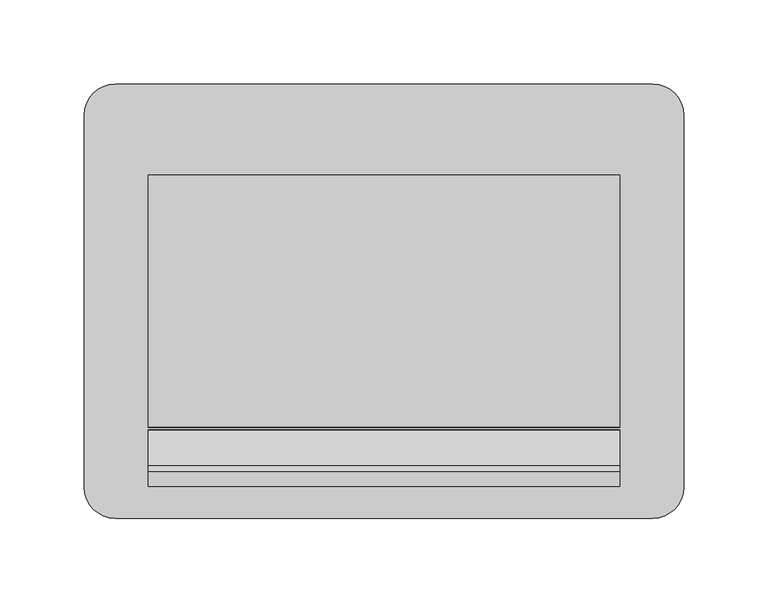
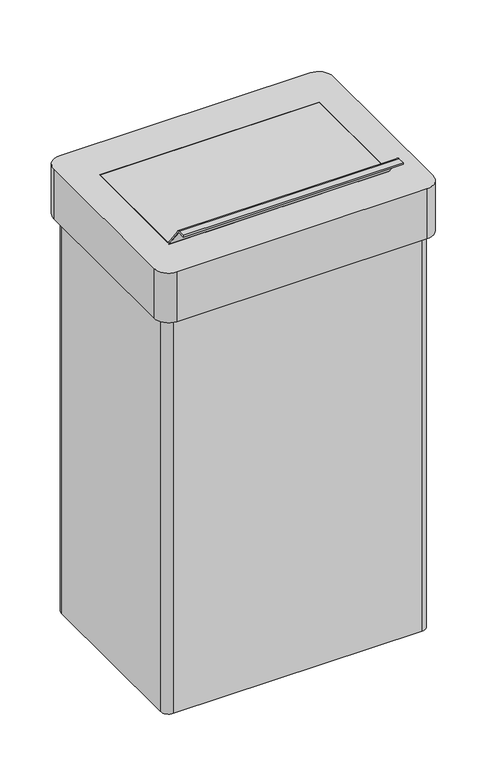
"""IFC4 building model written with IfcOpenShell, lengths in millimetres: furniture geometry."""

from ifc_helpers import new_model, si_unit, frame, origin, place, context, project, spatial, polyline, circle_curve, source, transform, mapped, element, save
from ifc_brep_helpers import plane_surface, cylinder_surface, revolved_surface, advanced_brep


def furniture_75e67a10(model_context):
    return source(origin(), model_context, "Body", "AdvancedBrep", [
        advanced_brep(
        [(159.5, 129.0, 601.2), (-159.5, 129.0, 601.2), (-178.0, 110.5, 601.2), (-178.0, -110.5, 601.2), (-159.5, -129.0, 601.2), (159.5, -129.0, 601.2), (178.0, -110.5, 601.2), (178.0, 110.5, 601.2), (140.0, 75.0, 601.2), (140.0, -75.0, 601.2), (-140.0, -75.0, 601.2), (-140.0, 75.0, 601.2), (159.5, 110.5, 593.2), (159.5, -110.5, 593.2), (-159.5, -110.5, 593.2), (-159.5, 110.5, 593.2), (140.0, 75.0, 593.2), (-140.0, 75.0, 593.2), (-140.0, -75.0, 593.2), (140.0, -75.0, 593.2), (159.5, 129.0, 534.2), (178.0, 110.5, 534.2), (178.0, -110.5, 534.2), (159.5, -129.0, 534.2), (-159.5, -129.0, 534.2), (-178.0, -110.5, 534.2), (-178.0, 110.5, 534.2), (-159.5, 129.0, 534.2), (159.5, 110.5, 534.2), (-159.5, 110.5, 534.2), (-159.5, -110.5, 534.2), (159.5, -110.5, 534.2)],
        [
            (0, 1),
            (1, 2, circle_curve(frame((-159.5, 110.5, 601.2), z_axis=(0.0, 0.0, 1.0), x_axis=(1.0, 0.0, 0.0)), 18.5)),
            (2, 3),
            (3, 4, circle_curve(frame((-159.5, -110.5, 601.2), z_axis=(0.0, 0.0, 1.0), x_axis=(1.0, 0.0, 0.0)), 18.5)),
            (4, 5),
            (5, 6, circle_curve(frame((159.5, -110.5, 601.2), z_axis=(0.0, 0.0, 1.0), x_axis=(1.0, 0.0, 0.0)), 18.5)),
            (6, 7),
            (7, 0, circle_curve(frame((159.5, 110.5, 601.2), z_axis=(0.0, 0.0, 1.0), x_axis=(1.0, 0.0, 0.0)), 18.5)),
            (8, 9),
            (9, 10),
            (10, 11),
            (11, 8),
            (12, 13),
            (13, 14),
            (14, 15),
            (15, 12),
            (16, 17),
            (17, 18),
            (18, 19),
            (19, 16),
            (20, 21, circle_curve(frame((159.5, 110.5, 534.2), z_axis=(0.0, 0.0, -1.0), x_axis=(1.0, 0.0, 0.0)), 18.5)),
            (21, 22),
            (22, 23, circle_curve(frame((159.5, -110.5, 534.2), z_axis=(0.0, 0.0, -1.0), x_axis=(1.0, 0.0, 0.0)), 18.5)),
            (23, 24),
            (24, 25, circle_curve(frame((-159.5, -110.5, 534.2), z_axis=(0.0, 0.0, -1.0), x_axis=(1.0, 0.0, 0.0)), 18.5)),
            (25, 26),
            (26, 27, circle_curve(frame((-159.5, 110.5, 534.2), z_axis=(0.0, 0.0, -1.0), x_axis=(1.0, 0.0, 0.0)), 18.5)),
            (27, 20),
            (28, 29),
            (29, 30),
            (30, 31),
            (31, 28),
            (0, 20),
            (27, 1),
            (26, 2),
            (25, 3),
            (24, 4),
            (23, 5),
            (22, 6),
            (21, 7),
            (31, 13),
            (12, 28),
            (30, 14),
            (29, 15),
            (11, 17),
            (16, 8),
            (10, 18),
            (9, 19),
        ],
        [
            plane_surface(frame((-159.5, 110.5, 601.2), z_axis=(0.0, 0.0, 1.0), x_axis=(-1.0, 0.0, 0.0))),
            plane_surface(frame((-159.5, 110.5, 593.2), z_axis=(0.0, 0.0, -1.0), x_axis=(1.0, 0.0, 0.0))),
            plane_surface(frame((-159.5, 129.0, 534.2), z_axis=(0.0, 0.0, -1.0), x_axis=(1.0, 0.0, 0.0))),
            plane_surface(frame((159.5, 129.0, 601.2), z_axis=(0.0, 1.0, 0.0), x_axis=(0.0, 0.0, -1.0))),
            cylinder_surface(frame((-159.5, 110.5, 534.2), z_axis=(0.0, 0.0, 1.0), x_axis=(1.0, 0.0, 0.0)), 18.5),
            plane_surface(frame((-178.0, 110.5, 601.2), z_axis=(-1.0, 0.0, 0.0), x_axis=(0.0, 0.0, -1.0))),
            cylinder_surface(frame((-159.5, -110.5, 534.2), z_axis=(0.0, 0.0, 1.0), x_axis=(1.0, 0.0, 0.0)), 18.5),
            plane_surface(frame((-159.5, -129.0, 601.2), z_axis=(0.0, -1.0, 0.0), x_axis=(0.0, 0.0, -1.0))),
            cylinder_surface(frame((159.5, -110.5, 534.2), z_axis=(0.0, 0.0, 1.0), x_axis=(1.0, 0.0, 0.0)), 18.5),
            plane_surface(frame((178.0, -110.5, 601.2), z_axis=(1.0, 0.0, 0.0), x_axis=(0.0, 0.0, -1.0))),
            cylinder_surface(frame((159.5, 110.5, 534.2), z_axis=(0.0, 0.0, 1.0), x_axis=(1.0, 0.0, 0.0)), 18.5),
            plane_surface(frame((159.5, 110.5, 601.2), z_axis=(-1.0, 0.0, 0.0), x_axis=(0.0, 0.0, -1.0))),
            plane_surface(frame((159.5, -110.5, 601.2), z_axis=(0.0, 1.0, 0.0), x_axis=(0.0, 0.0, -1.0))),
            plane_surface(frame((-159.5, -110.5, 601.2), z_axis=(1.0, 0.0, 0.0), x_axis=(0.0, 0.0, -1.0))),
            plane_surface(frame((-159.5, 110.5, 601.2), z_axis=(0.0, -1.0, 0.0), x_axis=(0.0, 0.0, -1.0))),
            plane_surface(frame((-140.0, 75.0, 601.2), z_axis=(0.0, -1.0, 0.0), x_axis=(0.0, 0.0, -1.0))),
            plane_surface(frame((-140.0, -75.0, 601.2), z_axis=(1.0, 0.0, 0.0), x_axis=(0.0, 0.0, -1.0))),
            plane_surface(frame((140.0, -75.0, 601.2), z_axis=(0.0, 1.0, 0.0), x_axis=(0.0, 0.0, -1.0))),
            plane_surface(frame((140.0, 75.0, 601.2), z_axis=(-1.0, 0.0, 0.0), x_axis=(0.0, 0.0, -1.0))),
        ],
        [
            (0, [[1, 2, 3, 4, 5, 6, 7, 8], [9, 10, 11, 12]]),
            (1, [[13, 14, 15, 16], [17, 18, 19, 20]]),
            (2, [[21, 22, 23, 24, 25, 26, 27, 28], [29, 30, 31, 32]]),
            (3, [[-1, 33, -28, 34]]),
            (4, [[-2, -34, -27, 35]]),
            (5, [[-3, -35, -26, 36]]),
            (6, [[-4, -36, -25, 37]]),
            (7, [[-5, -37, -24, 38]]),
            (8, [[-6, -38, -23, 39]]),
            (9, [[-7, -39, -22, 40]]),
            (10, [[-8, -40, -21, -33]]),
            (11, [[-32, 41, -13, 42]]),
            (12, [[-31, 43, -14, -41]]),
            (13, [[-30, 44, -15, -43]]),
            (14, [[-29, -42, -16, -44]]),
            (15, [[-12, 45, -17, 46]]),
            (16, [[-11, 47, -18, -45]]),
            (17, [[-10, 48, -19, -47]]),
            (18, [[-9, -46, -20, -48]]),
        ],
    ),
        advanced_brep(
        [(159.5, -110.5, 8.0), (159.5, 110.5, 8.0), (-159.5, 110.5, 8.0), (-159.5, -110.5, 8.0), (158.25, 119.75, 0.0), (168.75, 109.25, 0.0), (168.75, -109.25, 0.0), (158.25, -119.75, 0.0), (-158.25, -119.75, 0.0), (-168.75, -109.25, 0.0), (-168.75, 109.25, 0.0), (-158.25, 119.75, 0.0), (158.25, 119.75, 534.2), (-158.25, 119.75, 534.2), (-168.75, 109.25, 534.2), (-168.75, -109.25, 534.2), (-158.25, -119.75, 534.2), (158.25, -119.75, 534.2), (168.75, -109.25, 534.2), (168.75, 109.25, 534.2), (159.5, 110.5, 534.2), (159.5, -110.5, 534.2), (-159.5, -110.5, 534.2), (-159.5, 110.5, 534.2)],
        [
            (0, 1),
            (1, 2),
            (2, 3),
            (3, 0),
            (4, 5, circle_curve(frame((158.25, 109.25, 0.0), z_axis=(0.0, 0.0, -1.0), x_axis=(1.0, 0.0, 0.0)), 10.5)),
            (5, 6),
            (6, 7, circle_curve(frame((158.25, -109.25, 0.0), z_axis=(0.0, 0.0, -1.0), x_axis=(1.0, 0.0, 0.0)), 10.5)),
            (7, 8),
            (8, 9, circle_curve(frame((-158.25, -109.25, 0.0), z_axis=(0.0, 0.0, -1.0), x_axis=(1.0, 0.0, 0.0)), 10.5)),
            (9, 10),
            (10, 11, circle_curve(frame((-158.25, 109.25, 0.0), z_axis=(0.0, 0.0, -1.0), x_axis=(1.0, 0.0, 0.0)), 10.5)),
            (11, 4),
            (12, 13),
            (13, 14, circle_curve(frame((-158.25, 109.25, 534.2), z_axis=(0.0, 0.0, 1.0), x_axis=(1.0, 0.0, 0.0)), 10.5)),
            (14, 15),
            (15, 16, circle_curve(frame((-158.25, -109.25, 534.2), z_axis=(0.0, 0.0, 1.0), x_axis=(1.0, 0.0, 0.0)), 10.5)),
            (16, 17),
            (17, 18, circle_curve(frame((158.25, -109.25, 534.2), z_axis=(0.0, 0.0, 1.0), x_axis=(1.0, 0.0, 0.0)), 10.5)),
            (18, 19),
            (19, 12, circle_curve(frame((158.25, 109.25, 534.2), z_axis=(0.0, 0.0, 1.0), x_axis=(1.0, 0.0, 0.0)), 10.5)),
            (20, 21),
            (21, 22),
            (22, 23),
            (23, 20),
            (20, 1),
            (0, 21),
            (3, 22),
            (2, 23),
            (12, 4),
            (11, 13),
            (10, 14),
            (9, 15),
            (8, 16),
            (7, 17),
            (6, 18),
            (5, 19),
        ],
        [
            plane_surface(frame((-159.5, 110.5, 8.0), z_axis=(0.0, 0.0, 1.0), x_axis=(-1.0, 0.0, 0.0))),
            plane_surface(frame((-159.5, 110.5, 0.0), z_axis=(0.0, 0.0, -1.0), x_axis=(1.0, 0.0, 0.0))),
            plane_surface(frame((159.5, 110.5, 534.2), z_axis=(0.0, 0.0, 1.0), x_axis=(0.0, -1.0, 0.0))),
            plane_surface(frame((159.5, 110.5, 534.2), z_axis=(-1.0, 0.0, 0.0), x_axis=(0.0, 0.0, -1.0))),
            plane_surface(frame((159.5, -110.5, 534.2), z_axis=(0.0, 1.0, 0.0), x_axis=(0.0, 0.0, -1.0))),
            plane_surface(frame((-159.5, -110.5, 534.2), z_axis=(1.0, 0.0, 0.0), x_axis=(0.0, 0.0, -1.0))),
            plane_surface(frame((-159.5, 110.5, 534.2), z_axis=(0.0, -1.0, 0.0), x_axis=(0.0, 0.0, -1.0))),
            plane_surface(frame((158.25, 119.75, 534.2), z_axis=(0.0, 1.0, 0.0), x_axis=(0.0, 0.0, -1.0))),
            cylinder_surface(frame((-158.25, 109.25, 0.0), z_axis=(0.0, 0.0, 1.0), x_axis=(1.0, 0.0, 0.0)), 10.5),
            plane_surface(frame((-168.75, 109.25, 534.2), z_axis=(-1.0, 0.0, 0.0), x_axis=(0.0, 0.0, -1.0))),
            cylinder_surface(frame((-158.25, -109.25, 0.0), z_axis=(0.0, 0.0, 1.0), x_axis=(1.0, 0.0, 0.0)), 10.5),
            plane_surface(frame((-158.25, -119.75, 534.2), z_axis=(0.0, -1.0, 0.0), x_axis=(0.0, 0.0, -1.0))),
            cylinder_surface(frame((158.25, -109.25, 0.0), z_axis=(0.0, 0.0, 1.0), x_axis=(1.0, 0.0, 0.0)), 10.5),
            plane_surface(frame((168.75, -109.25, 534.2), z_axis=(1.0, 0.0, 0.0), x_axis=(0.0, 0.0, -1.0))),
            cylinder_surface(frame((158.25, 109.25, 0.0), z_axis=(0.0, 0.0, 1.0), x_axis=(1.0, 0.0, 0.0)), 10.5),
        ],
        [
            (0, [[1, 2, 3, 4]]),
            (1, [[5, 6, 7, 8, 9, 10, 11, 12]]),
            (2, [[13, 14, 15, 16, 17, 18, 19, 20], [21, 22, 23, 24]]),
            (3, [[-21, 25, -1, 26]]),
            (4, [[-22, -26, -4, 27]]),
            (5, [[-23, -27, -3, 28]]),
            (6, [[-24, -28, -2, -25]]),
            (7, [[-13, 29, -12, 30]]),
            (8, [[-14, -30, -11, 31]]),
            (9, [[-15, -31, -10, 32]]),
            (10, [[-16, -32, -9, 33]]),
            (11, [[-17, -33, -8, 34]]),
            (12, [[-18, -34, -7, 35]]),
            (13, [[-19, -35, -6, 36]]),
            (14, [[-20, -36, -5, -29]]),
        ],
    ),
        advanced_brep(
        [(140.0, -75.0045089, 601.2), (140.0, -76.5314507, 601.83248), (140.0, -97.5687013, 630.0989761), (140.0, -101.0333202, 631.839288), (140.0, -110.0, 631.839288), (140.0, -110.0, 629.676851), (140.0, -100.8638406, 629.6732053), (140.0, -99.3010108, 628.8097103), (140.0, -78.0583922, 600.3055379), (140.0, -75.0, 599.0405759), (140.0, 75.0, 599.0405759), (140.0, 75.0, 601.2), (-140.0, -75.0045089, 601.2), (-140.0, 75.0, 601.2), (-140.0, 75.0, 599.0405759), (-140.0, -75.0, 599.0405759), (-140.0, -78.0583922, 600.3055379), (-140.0, -99.2826839, 628.82335), (-140.0, -100.8638406, 629.6732053), (-140.0, -110.0, 629.676851), (-140.0, -110.0, 631.839288), (-140.0, -101.0333202, 631.839288), (-140.0, -97.5687013, 630.0989761), (-140.0, -76.5314507, 601.83248)],
        [
            (0, 1, circle_curve(frame((140.0, -75.0045089, 603.3594218), z_axis=(-1.0, 0.0, 0.0), x_axis=(0.0, 1.0, 0.0)), 2.1594218)),
            (1, 2),
            (2, 3, circle_curve(frame((140.0, -101.0333202, 627.5204444), z_axis=(1.0, 0.0, 0.0), x_axis=(0.0, 1.0, 0.0)), 4.3188436)),
            (3, 4),
            (4, 5),
            (5, 6),
            (6, 7, circle_curve(frame((140.0, -101.0333202, 627.5204444), z_axis=(-1.0, 0.0, 0.0), x_axis=(0.0, 1.0, 0.0)), 2.1594218)),
            (7, 8),
            (8, 9, circle_curve(frame((140.0, -75.0, 603.3703073), z_axis=(1.0, 0.0, 0.0), x_axis=(0.0, 1.0, 0.0)), 4.3297315)),
            (9, 10),
            (10, 11),
            (11, 0),
            (12, 13),
            (13, 14),
            (14, 15),
            (15, 16, circle_curve(frame((-140.0, -75.0, 603.3703073), z_axis=(-1.0, 0.0, 0.0), x_axis=(0.0, 1.0, 0.0)), 4.3297315)),
            (16, 17),
            (17, 18, circle_curve(frame((-140.0, -101.0333202, 627.5204444), z_axis=(1.0, 0.0, 0.0), x_axis=(0.0, 1.0, 0.0)), 2.1594218)),
            (18, 19),
            (19, 20),
            (20, 21),
            (21, 22, circle_curve(frame((-140.0, -101.0333202, 627.5204444), z_axis=(-1.0, 0.0, 0.0), x_axis=(0.0, 1.0, 0.0)), 4.3188436)),
            (22, 23),
            (23, 12, circle_curve(frame((-140.0, -75.0045089, 603.3594218), z_axis=(1.0, 0.0, 0.0), x_axis=(0.0, 1.0, 0.0)), 2.1594218)),
            (0, 12),
            (23, 1),
            (22, 2),
            (21, 3),
            (20, 4),
            (19, 5),
            (18, 6),
            (17, 7),
            (16, 8),
            (15, 9),
            (14, 10),
            (13, 11),
        ],
        [
            plane_surface(frame((140.0, -72.8450871, 603.3594218), z_axis=(1.0, 0.0, 0.0), x_axis=(0.0, 0.0, -1.0))),
            plane_surface(frame((-140.0, -72.8450871, 603.3594218), z_axis=(-1.0, 0.0, 0.0), x_axis=(0.0, 0.0, 1.0))),
            revolved_surface(polyline([(-140.0, -72.8450871, 603.3594218), (140.0, -72.8450871, 603.3594218)]), (-140.0, -75.0045089, 603.3594218), (-1.0, 0.0, 0.0)),
            plane_surface(frame((140.0, -76.5314507, 601.83248), z_axis=(0.0, 0.8022098610002097, 0.5970421584059407), x_axis=(-1.0, 0.0, 0.0))),
            cylinder_surface(frame((-140.0, -101.0333202, 627.5204444), z_axis=(1.0, 0.0, 0.0), x_axis=(0.0, 1.0, 0.0)), 4.3188436),
            plane_surface(frame((140.0, -101.0333202, 631.839288), z_axis=(0.0, 0.0, 1.0), x_axis=(-1.0, 0.0, 0.0))),
            plane_surface(frame((140.0, -110.0, 631.839288), z_axis=(0.0, -1.0, 0.0), x_axis=(-1.0, 0.0, 0.0))),
            plane_surface(frame((140.0, -110.0, 629.676851), z_axis=(0.0, -0.00039904113369955397, -0.9999999203830837), x_axis=(-1.0, 0.0, 0.0))),
            revolved_surface(polyline([(-140.0, -98.8738984, 627.5204444), (140.0, -98.8738984, 627.5204444)]), (-140.0, -101.0333202, 627.5204444), (-1.0, 0.0, 0.0)),
            plane_surface(frame((140.0, -99.2826839, 628.82335), z_axis=(0.0, -0.802209861000212, -0.5970421584059376), x_axis=(-1.0, 0.0, 0.0))),
            cylinder_surface(frame((-140.0, -75.0, 603.3703073), z_axis=(1.0, 0.0, 0.0), x_axis=(0.0, 1.0, 0.0)), 4.3297315),
            plane_surface(frame((140.0, -75.0, 599.0405759), z_axis=(0.0, 0.0, -1.0), x_axis=(-1.0, 0.0, 0.0))),
            plane_surface(frame((140.0, 75.0, 599.0405759), z_axis=(0.0, 1.0, 0.0), x_axis=(-1.0, 0.0, 0.0))),
            plane_surface(frame((140.0, 75.0, 601.2), z_axis=(0.0, 0.0, 1.0), x_axis=(-1.0, 0.0, 0.0))),
        ],
        [
            (0, [[1, 2, 3, 4, 5, 6, 7, 8, 9, 10, 11, 12]]),
            (1, [[13, 14, 15, 16, 17, 18, 19, 20, 21, 22, 23, 24]]),
            (2, [[-1, 25, -24, 26]]),
            (3, [[-2, -26, -23, 27]]),
            (4, [[-3, -27, -22, 28]]),
            (5, [[-4, -28, -21, 29]]),
            (6, [[-5, -29, -20, 30]]),
            (7, [[-6, -30, -19, 31]]),
            (8, [[-7, -31, -18, 32]]),
            (9, [[-8, -32, -17, 33]]),
            (10, [[-9, -33, -16, 34]]),
            (11, [[-10, -34, -15, 35]]),
            (12, [[-11, -35, -14, 36]]),
            (13, [[-12, -36, -13, -25]]),
        ],
    ),
    ])


if __name__ == "__main__":
    model = new_model("IFC4")
    model_context = context("Model", 3, world=origin())
    ifc_project = project(units=[si_unit("LENGTHUNIT", "METRE", prefix="MILLI")], contexts=[model_context])
    site = spatial("IfcSite", under=ifc_project)
    building = spatial("IfcBuilding", under=site)
    placement = place(None, origin())
    furniture_shape = furniture_75e67a10(model_context)
    element("IfcFurniture", 1, at=placement, inside=building, context=model_context, shape_type="MappedRepresentation", body=[
        mapped(furniture_shape, transform((0.0, 0.0, 0.0), x_axis=(1.0, 0.0, 0.0), y_axis=(0.0, 1.0, 0.0), z_axis=(0.0, 0.0, 1.0))),
    ])
    save(model, "model.ifc")
